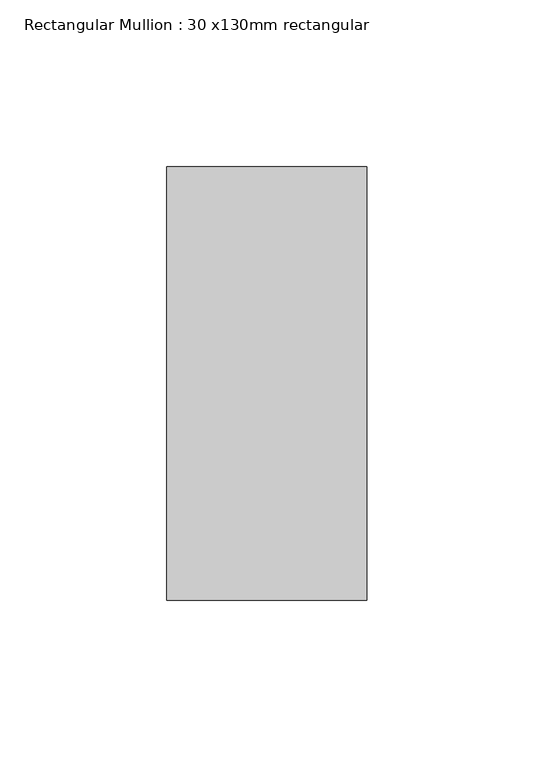
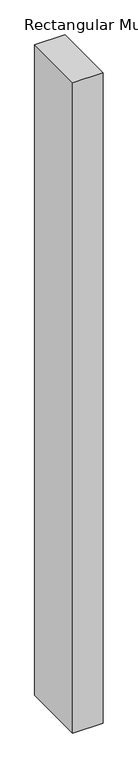
"""IFC4 building model written with IfcOpenShell, lengths in millimetres: member geometry, Rectangular Mullion : 30 x130mm rectangular."""

from ifc_helpers import new_model, si_unit, frame, origin, place, context, project, spatial, polyline, outline, extrude, source, transform, mapped, element, save


def rectangular_mullion_30_x130mm_rectangular_a098315a(model_context):
    return source(origin(), model_context, "Body", "SweptSolid", [
        extrude(outline(polyline([(30.0, 65.0), (30.0, -65.0), (-30.0, -65.0), (-30.0, 65.0), (30.0, 65.0)])), frame((0.0, 0.0, -1355.7142857), z_axis=(0.0, 0.0, 1.0), x_axis=(1.0, 0.0, 0.0)), (0.0, 0.0, 1.0), 1355.7142857),
    ])


if __name__ == "__main__":
    model = new_model("IFC4")
    model_context = context("Model", 3, world=origin())
    ifc_project = project(units=[si_unit("LENGTHUNIT", "METRE", prefix="MILLI")], contexts=[model_context])
    site = spatial("IfcSite", under=ifc_project)
    building = spatial("IfcBuilding", under=site)
    placement = place(None, origin())
    rectangular_mullion_30_x130mm_rectangular_shape = rectangular_mullion_30_x130mm_rectangular_a098315a(model_context)
    element("IfcMember", 1, ObjectType="Rectangular Mullion : 30 x130mm rectangular", at=placement, inside=building, context=model_context, shape_type="MappedRepresentation", body=[
        mapped(rectangular_mullion_30_x130mm_rectangular_shape, transform((0.0, 0.0, 0.0), x_axis=(1.0, 0.0, 0.0), y_axis=(0.0, 1.0, 0.0), z_axis=(0.0, 0.0, 1.0))),
    ])
    save(model, "model.ifc")
